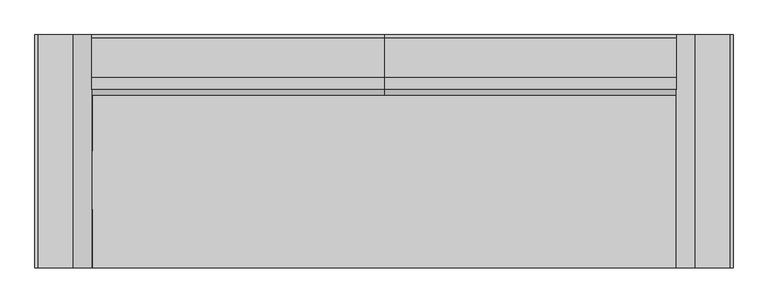
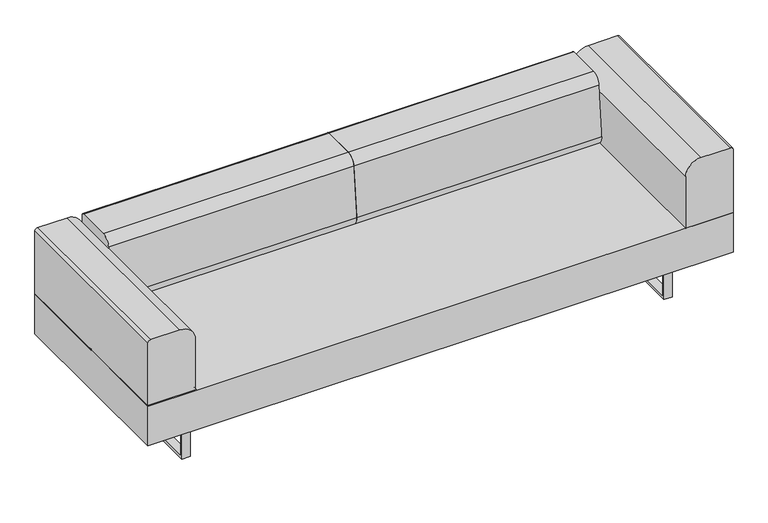
"""IFC4 building model written with IfcOpenShell, lengths in millimetres: furniture geometry."""

from ifc_helpers import new_model, si_unit, point, frame, frame_2d, origin, place, context, project, spatial, polyline, circle_curve, ellipse_curve, trimmed, segment, composite_curve, outline, extrude, source, transform, mapped, element, save
from ifc_brep_helpers import plane_surface, cylinder_surface, advanced_brep


def furniture_287bfe71(model_context):
    return source(origin(), model_context, "Body", "SolidModel", [
        advanced_brep(
        [(-1128.5755122, 17.9605122, 411.6605122), (-1128.5755122, 204.2894878, 411.6605122), (-1312.3644878, 204.2894878, 411.6605122), (-1312.3644878, 17.9605122, 411.6605122), (-1110.615, 222.25, 393.7), (-1110.615, 0.0, 393.7), (-1330.325, 0.0, 393.7), (-1330.325, 222.25, 393.7)],
        [
            (0, 1),
            (1, 2),
            (2, 3),
            (3, 0),
            (4, 5),
            (5, 6),
            (6, 7),
            (7, 4),
            (4, 1, ellipse_curve(frame((-1128.5755122, 204.2894878, 393.7), z_axis=(0.7071067811865475, -0.7071067811865475, 0.0), x_axis=(0.7071067811865474, 0.7071067811865476, 0.0)), 25.4, 17.9605122)),
            (0, 5, ellipse_curve(frame((-1128.5755122, 17.9605122, 393.7), z_axis=(0.7071067811865475, 0.7071067811865475, 0.0), x_axis=(-0.7071067811865474, 0.7071067811865476, 0.0)), 25.4, 17.9605122)),
            (3, 6, ellipse_curve(frame((-1312.3644878, 17.9605122, 393.7), z_axis=(0.7071067811865475, -0.7071067811865475, 0.0), x_axis=(0.7071067811865476, 0.7071067811865474, 0.0)), 25.4, 17.9605122)),
            (2, 7, ellipse_curve(frame((-1312.3644878, 204.2894878, 393.7), z_axis=(-0.7071067811865475, -0.7071067811865475, 0.0), x_axis=(0.7071067811865474, -0.7071067811865476, 0.0)), 25.4, 17.9605122)),
        ],
        [
            plane_surface(frame((-1312.3644878, 204.2894878, 411.6605122), z_axis=(0.0, 0.0, 1.0), x_axis=(-1.0, 0.0, 0.0))),
            plane_surface(frame((-1312.3644878, 204.2894878, 393.7), z_axis=(0.0, 0.0, -1.0), x_axis=(1.0, 0.0, 0.0))),
            cylinder_surface(frame((-1128.5755122, 222.25, 393.7), z_axis=(0.0, 1.0, 0.0), x_axis=(1.0, 0.0, 0.0)), 17.9605122),
            cylinder_surface(frame((-1110.615, 17.9605122, 393.7), z_axis=(1.0, 0.0, 0.0), x_axis=(0.0, -1.0, 0.0)), 17.9605122),
            cylinder_surface(frame((-1312.3644878, 0.0, 393.7), z_axis=(0.0, -1.0, 0.0), x_axis=(-1.0, 0.0, 0.0)), 17.9605122),
            cylinder_surface(frame((-1330.325, 204.2894878, 393.7), z_axis=(-1.0, 0.0, 0.0), x_axis=(0.0, 1.0, 0.0)), 17.9605122),
        ],
        [
            (0, [[1, 2, 3, 4]]),
            (1, [[5, 6, 7, 8]]),
            (2, [[9, -1, 10, -5]]),
            (3, [[-10, -4, 11, -6]]),
            (4, [[-11, -3, 12, -7]]),
            (5, [[-9, -8, -12, -2]]),
        ],
    ),
        advanced_brep(
        [(-1128.5755122, 240.2105122, 411.6605122), (-1128.5755122, 426.5394878, 411.6605122), (-1312.3644878, 426.5394878, 411.6605122), (-1312.3644878, 240.2105122, 411.6605122), (-1110.615, 444.5, 393.7), (-1110.615, 222.25, 393.7), (-1330.325, 222.25, 393.7), (-1330.325, 444.5, 393.7)],
        [
            (0, 1),
            (1, 2),
            (2, 3),
            (3, 0),
            (4, 5),
            (5, 6),
            (6, 7),
            (7, 4),
            (4, 1, ellipse_curve(frame((-1128.5755122, 426.5394878, 393.7), z_axis=(0.7071067811865475, -0.7071067811865475, 0.0), x_axis=(0.7071067811865474, 0.7071067811865476, 0.0)), 25.4, 17.9605122)),
            (0, 5, ellipse_curve(frame((-1128.5755122, 240.2105122, 393.7), z_axis=(0.7071067811865475, 0.7071067811865475, 0.0), x_axis=(-0.7071067811865474, 0.7071067811865476, 0.0)), 25.4, 17.9605122)),
            (3, 6, ellipse_curve(frame((-1312.3644878, 240.2105122, 393.7), z_axis=(0.7071067811865475, -0.7071067811865475, 0.0), x_axis=(0.7071067811865476, 0.7071067811865474, 0.0)), 25.4, 17.9605122)),
            (2, 7, ellipse_curve(frame((-1312.3644878, 426.5394878, 393.7), z_axis=(-0.7071067811865475, -0.7071067811865475, 0.0), x_axis=(0.7071067811865474, -0.7071067811865476, 0.0)), 25.4, 17.9605122)),
        ],
        [
            plane_surface(frame((-1312.3644878, 426.5394878, 411.6605122), z_axis=(0.0, 0.0, 1.0), x_axis=(-1.0, 0.0, 0.0))),
            plane_surface(frame((-1312.3644878, 426.5394878, 393.7), z_axis=(0.0, 0.0, -1.0), x_axis=(1.0, 0.0, 0.0))),
            cylinder_surface(frame((-1128.5755122, 444.5, 393.7), z_axis=(0.0, 1.0, 0.0), x_axis=(1.0, 0.0, 0.0)), 17.9605122),
            cylinder_surface(frame((-1110.615, 240.2105122, 393.7), z_axis=(1.0, 0.0, 0.0), x_axis=(0.0, -1.0, 0.0)), 17.9605122),
            cylinder_surface(frame((-1312.3644878, 222.25, 393.7), z_axis=(0.0, -1.0, 0.0), x_axis=(-1.0, 0.0, 0.0)), 17.9605122),
            cylinder_surface(frame((-1330.325, 426.5394878, 393.7), z_axis=(-1.0, 0.0, 0.0), x_axis=(0.0, 1.0, 0.0)), 17.9605122),
        ],
        [
            (0, [[1, 2, 3, 4]]),
            (1, [[5, 6, 7, 8]]),
            (2, [[9, -1, 10, -5]]),
            (3, [[-10, -4, 11, -6]]),
            (4, [[-11, -3, 12, -7]]),
            (5, [[-9, -8, -12, -2]]),
        ],
    ),
        advanced_brep(
        [(-1110.615, -222.25, 393.7), (-1128.5755122, -240.2105122, 411.6605122), (-1128.5755122, -426.5394878, 411.6605122), (-1110.615, -444.5, 393.7), (-1312.3644878, -426.5394878, 411.6605122), (-1330.325, -444.5, 393.7), (-1312.3644878, -240.2105122, 411.6605122), (-1330.325, -222.25, 393.7)],
        [
            (0, 1, ellipse_curve(frame((-1128.5755122, -240.2105122, 393.7), z_axis=(0.7071067811865475, -0.7071067811865475, 0.0), x_axis=(0.7071067811865474, 0.7071067811865476, 0.0)), 25.4, 17.9605122)),
            (1, 2),
            (2, 3, ellipse_curve(frame((-1128.5755122, -426.5394878, 393.7), z_axis=(0.7071067811865475, 0.7071067811865475, 0.0), x_axis=(-0.7071067811865474, 0.7071067811865476, 0.0)), 25.4, 17.9605122)),
            (3, 0),
            (2, 4),
            (4, 5, ellipse_curve(frame((-1312.3644878, -426.5394878, 393.7), z_axis=(0.7071067811865475, -0.7071067811865475, 0.0), x_axis=(0.7071067811865476, 0.7071067811865474, 0.0)), 25.4, 17.9605122)),
            (5, 3),
            (4, 6),
            (6, 7, ellipse_curve(frame((-1312.3644878, -240.2105122, 393.7), z_axis=(-0.7071067811865475, -0.7071067811865475, 0.0), x_axis=(0.7071067811865474, -0.7071067811865476, 0.0)), 25.4, 17.9605122)),
            (7, 5),
            (0, 7),
            (6, 1),
        ],
        [
            cylinder_surface(frame((-1128.5755122, -222.25, 393.7), z_axis=(0.0, 1.0, 0.0), x_axis=(1.0, 0.0, 0.0)), 17.9605122),
            cylinder_surface(frame((-1110.615, -426.5394878, 393.7), z_axis=(1.0, 0.0, 0.0), x_axis=(0.0, -1.0, 0.0)), 17.9605122),
            cylinder_surface(frame((-1312.3644878, -444.5, 393.7), z_axis=(0.0, -1.0, 0.0), x_axis=(-1.0, 0.0, 0.0)), 17.9605122),
            cylinder_surface(frame((-1330.325, -240.2105122, 393.7), z_axis=(-1.0, 0.0, 0.0), x_axis=(0.0, 1.0, 0.0)), 17.9605122),
            plane_surface(frame((-1330.325, -222.25, 393.7), z_axis=(0.0, 0.0, -1.0), x_axis=(1.0, 0.0, 0.0))),
            plane_surface(frame((-1312.3644878, -240.2105122, 411.6605122), z_axis=(0.0, 0.0, 1.0), x_axis=(-1.0, 0.0, 0.0))),
        ],
        [
            (0, [[1, 2, 3, 4]]),
            (1, [[-3, 5, 6, 7]]),
            (2, [[-6, 8, 9, 10]]),
            (3, [[-1, 11, -9, 12]]),
            (4, [[-4, -7, -10, -11]]),
            (5, [[-2, -12, -8, -5]]),
        ],
    ),
        extrude(outline(polyline([(-339.4724839, 0.0), (-339.4724839, 203.2), (341.6588694, 203.2), (341.6588694, 0.0), (-339.4724839, 0.0)]), holes=[polyline([(-326.7724839, 190.5), (-326.7724839, 12.7), (328.9588694, 12.7), (328.9588694, 190.5), (-326.7724839, 190.5)])]), frame((-1114.425, 0.0, 0.0), z_axis=(1.0, 0.0, 0.0), x_axis=(0.0, 1.0, 0.0)), (0.0, 0.0, 1.0), 38.0999535),
        extrude(outline(polyline([(-339.4724839, 203.2), (341.6588694, 203.2), (341.6588694, 0.0), (-339.4724839, 0.0), (-339.4724839, 203.2)]), holes=[polyline([(-326.7724839, 12.7), (328.9588694, 12.7), (328.9588694, 190.5), (-326.7724839, 190.5), (-326.7724839, 12.7)])]), frame((1076.3250465, 0.0, 0.0), z_axis=(1.0, 0.0, 0.0), x_axis=(0.0, 1.0, 0.0)), (0.0, 0.0, 1.0), 38.0999535),
        extrude(outline(polyline([(1330.325, 444.5), (1330.325, -444.5), (-1330.325, -444.5), (-1330.325, 444.5), (1330.325, 444.5)])), frame((0.0, 0.0, 203.2), z_axis=(0.0, 0.0, 1.0), x_axis=(1.0, 0.0, 0.0)), (0.0, 0.0, 1.0), 190.5),
        extrude(outline(composite_curve([segment(trimmed(circle_curve(frame_2d((696.9125, 1317.625)), 12.7), [point((696.9125, 1330.325))], [point((709.6125, 1317.625))], False, "CARTESIAN"), True, "CONTINUOUS"), segment(polyline([(709.6125, 1317.625), (709.6125, 1184.2752345)]), True, "CONTINUOUS"), segment(trimmed(circle_curve(frame_2d((639.7622655, 1184.2752345)), 69.8502345), [point((709.6125, 1184.2752345))], [point((639.7622655, 1114.425))], False, "CARTESIAN"), True, "CONTINUOUS"), segment(polyline([(639.7622655, 1114.425), (393.7, 1114.425), (393.7, 1330.325), (696.9125, 1330.325)]), True, "CONTINUOUS")], self_intersect=False)), frame((0.0, -444.5, 0.0), z_axis=(0.0, 1.0, 0.0), x_axis=(0.0, 0.0, 1.0)), (0.0, 0.0, 1.0), 889.0),
        extrude(outline(composite_curve([segment(polyline([(444.5, 393.7), (232.6067514, 393.7)]), True, "CONTINUOUS"), segment(trimmed(circle_curve(frame_2d((263.4189927, 430.9463408)), 48.3392606), [point((232.6067514, 393.7))], [point((215.3053904, 435.6116811))], False, "CARTESIAN"), True, "CONTINUOUS"), segment(polyline([(215.3053904, 435.6116811), (237.9512344, 669.1580194)]), True, "CONTINUOUS"), segment(trimmed(circle_curve(frame_2d((282.1937319, 664.8680412)), 44.45), [point((237.9512344, 669.1580194))], [point((282.1937319, 709.3180412))], False, "CARTESIAN"), True, "CONTINUOUS"), segment(polyline([(282.1937319, 709.3180412), (434.544558, 709.3180412)]), True, "CONTINUOUS"), segment(trimmed(circle_curve(frame_2d((434.544558, 699.3625993)), 9.955442), [point((434.544558, 709.3180412))], [point((444.5, 699.3625993))], False, "CARTESIAN"), True, "CONTINUOUS"), segment(polyline([(444.5, 699.3625993), (444.5, 393.7)]), True, "CONTINUOUS")], self_intersect=False)), frame((-1114.425, 0.0, 0.0), z_axis=(1.0, 0.0, 0.0), x_axis=(0.0, 1.0, 0.0)), (0.0, 0.0, 1.0), 1114.425),
        extrude(outline(composite_curve([segment(polyline([(696.9125, -1330.325), (393.7, -1330.325), (393.7, -1114.425), (639.7622655, -1114.425)]), True, "CONTINUOUS"), segment(trimmed(circle_curve(frame_2d((639.7622655, -1184.2752345)), 69.8502345), [point((639.7622655, -1114.425))], [point((709.6125, -1184.2752345))], False, "CARTESIAN"), True, "CONTINUOUS"), segment(polyline([(709.6125, -1184.2752345), (709.6125, -1317.625)]), True, "CONTINUOUS"), segment(trimmed(circle_curve(frame_2d((696.9125, -1317.625)), 12.7), [point((709.6125, -1317.625))], [point((696.9125, -1330.325))], False, "CARTESIAN"), True, "CONTINUOUS")], self_intersect=False)), frame((0.0, -444.5, 0.0), z_axis=(0.0, 1.0, 0.0), x_axis=(0.0, 0.0, 1.0)), (0.0, 0.0, 1.0), 889.0),
        extrude(outline(composite_curve([segment(polyline([(444.5, 393.7), (232.6067514, 393.7)]), True, "CONTINUOUS"), segment(trimmed(circle_curve(frame_2d((263.4189927, 430.9463408)), 48.3392606), [point((232.6067514, 393.7))], [point((215.3053904, 435.6116811))], False, "CARTESIAN"), True, "CONTINUOUS"), segment(polyline([(215.3053904, 435.6116811), (237.9512344, 669.1580194)]), True, "CONTINUOUS"), segment(trimmed(circle_curve(frame_2d((282.1937319, 664.8680412)), 44.45), [point((237.9512344, 669.1580194))], [point((282.1937319, 709.3180412))], False, "CARTESIAN"), True, "CONTINUOUS"), segment(polyline([(282.1937319, 709.3180412), (434.544558, 709.3180412)]), True, "CONTINUOUS"), segment(trimmed(circle_curve(frame_2d((434.544558, 699.3625993)), 9.955442), [point((434.544558, 709.3180412))], [point((444.5, 699.3625993))], False, "CARTESIAN"), True, "CONTINUOUS"), segment(polyline([(444.5, 699.3625993), (444.5, 393.7)]), True, "CONTINUOUS")], self_intersect=False)), frame((0.0, 0.0, 0.0), z_axis=(1.0, 0.0, 0.0), x_axis=(0.0, 1.0, 0.0)), (0.0, 0.0, 1.0), 1114.425),
    ])


if __name__ == "__main__":
    model = new_model("IFC4")
    model_context = context("Model", 3, world=origin())
    ifc_project = project(units=[si_unit("LENGTHUNIT", "METRE", prefix="MILLI")], contexts=[model_context])
    site = spatial("IfcSite", under=ifc_project)
    building = spatial("IfcBuilding", under=site)
    placement = place(None, origin())
    furniture_shape = furniture_287bfe71(model_context)
    element("IfcFurniture", 1, at=placement, inside=building, context=model_context, shape_type="MappedRepresentation", body=[
        mapped(furniture_shape, transform((0.0, 0.0, 0.0), x_axis=(1.0, 0.0, 0.0), y_axis=(0.0, 1.0, 0.0), z_axis=(0.0, 0.0, 1.0))),
    ])
    save(model, "model.ifc")
